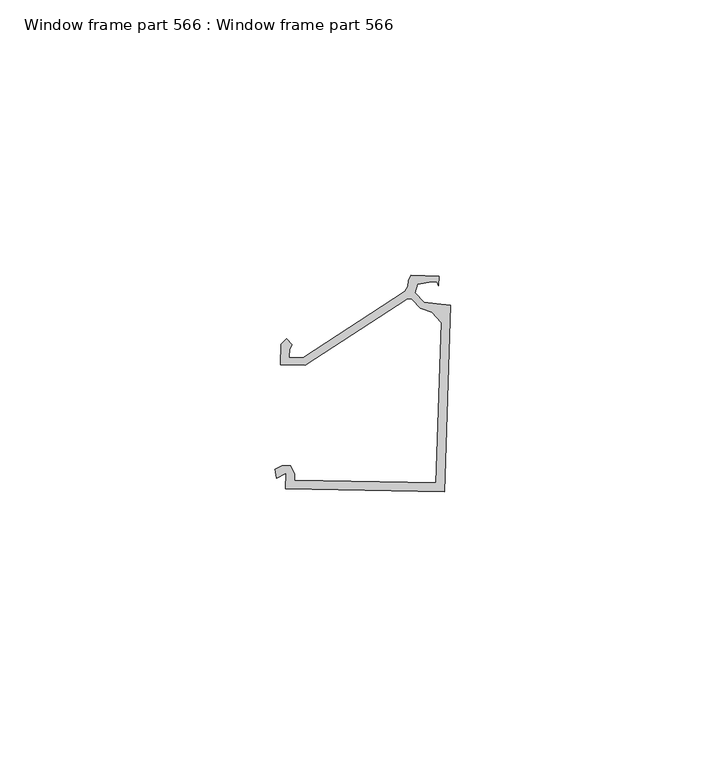
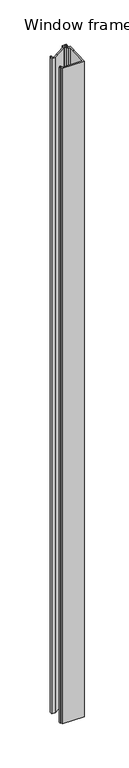
"""IFC4 building model written with IfcOpenShell, lengths in millimetres: proxy geometry, Window frame part 566 : Window frame part 566."""

from ifc_helpers import new_model, si_unit, frame, origin, place, context, project, spatial, polyline, outline, extrude, source, transform, mapped, element, save


def window_frame_part_566_window_frame_part_566_36a0f2bd(model_context):
    return source(origin(), model_context, "Body", "SweptSolid", [
        extrude(outline(polyline([(32761.3649852, -15482.1265286), (32732.4442896, -15481.5383394), (32732.5360091, -15478.783966), (32730.870676, -15479.6815184), (32730.598193, -15478.0205504), (32731.8076114, -15477.3747558), (32733.3816417, -15477.4270019), (32734.1233114, -15478.8163281), (32734.0839553, -15479.9982061), (32759.8299305, -15480.5251532), (32760.7999589, -15451.3947995), (32759.0821177, -15449.5586106), (32756.9843977, -15448.8411632), (32755.4227875, -15447.1719689), (32754.6123721, -15447.0737943), (32736.0375386, -15459.1792405), (32731.5355616, -15459.0293265), (32731.6589814, -15455.3229809), (32732.7082322, -15454.3413574), (32733.6898718, -15455.3901235), (32733.2176449, -15456.2153756), (32733.1686759, -15457.6859342), (32735.643804, -15457.768355), (32754.1789951, -15445.6887443), (32754.766309, -15444.8417596), (32754.8018134, -15443.7755506), (32755.2402423, -15442.824288), (32760.3680731, -15442.9950426), (32760.3097446, -15444.7466717), (32760.0296283, -15444.0003357), (32759.064963, -15443.9682127), (32756.4526142, -15444.4514396), (32755.998457, -15445.9996113), (32757.6333614, -15447.7486044), (32759.8961067, -15448.0100432), (32762.4694053, -15448.2662776), (32761.3649852, -15482.1265286)])), frame((0.0, 0.0, 1597.975708), z_axis=(0.0, 0.0, 1.0), x_axis=(1.0, 0.0, 0.0)), (0.0, 0.0, 1.0), 914.4),
    ])


if __name__ == "__main__":
    model = new_model("IFC4")
    model_context = context("Model", 3, world=origin())
    ifc_project = project(units=[si_unit("LENGTHUNIT", "METRE", prefix="MILLI")], contexts=[model_context])
    site = spatial("IfcSite", under=ifc_project)
    building = spatial("IfcBuilding", under=site)
    placement = place(None, origin())
    window_frame_part_566_window_frame_part_566_shape = window_frame_part_566_window_frame_part_566_36a0f2bd(model_context)
    element("IfcBuildingElementProxy", 1, Name="Window frame part 566 : Window frame part 566", ObjectType="Window frame part 566 : Window frame part 566", at=placement, inside=building, context=model_context, shape_type="MappedRepresentation", body=[
        mapped(window_frame_part_566_window_frame_part_566_shape, transform((0.0, 0.0, 0.0), x_axis=(1.0, 0.0, 0.0), y_axis=(0.0, 1.0, 0.0), z_axis=(0.0, 0.0, 1.0))),
    ])
    save(model, "model.ifc")
